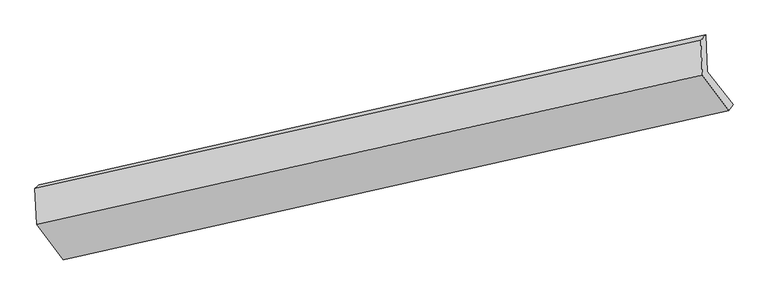
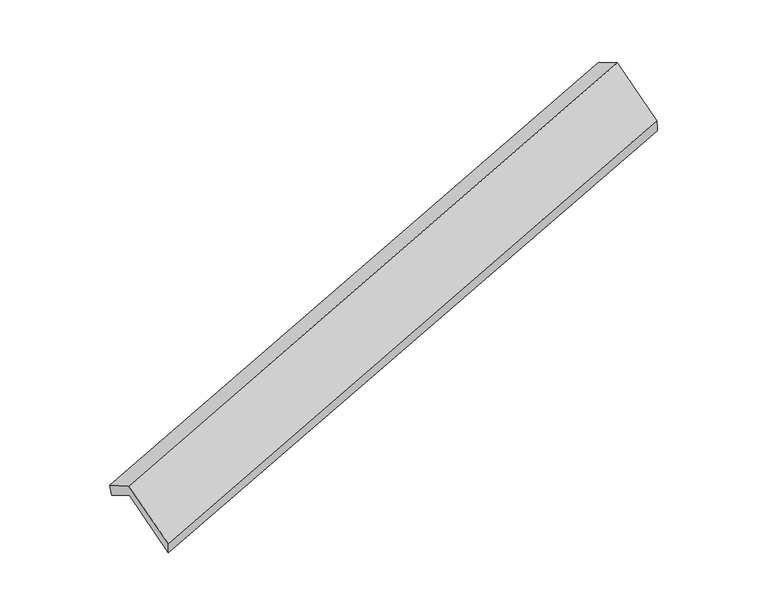
"""IFC4 building model written with IfcOpenShell, lengths in millimetres: proxy geometry."""

from ifc_helpers import new_model, si_unit, frame, origin, place, context, project, spatial, source, transform, mapped, element, save
from ifc_brep_helpers import plane_surface, spline_surface, advanced_brep


def generic_models_57afcbef(model_context):
    return source(origin(), model_context, "Body", "AdvancedBrep", [
        advanced_brep(
        [(-5729.6089475, -2478.9061597, 599.9887344), (-5970.6764835, -2172.4605878, 1156.0402576), (137.9026946, -811.4598454, 3034.5398745), (375.4205714, -1113.3930828, 2486.6760712), (-5984.9833501, -1851.3610124, 972.87654), (122.8223668, -473.0009093, 2841.4739171), (-6022.0956894, -1883.873076, 1115.3484914), (79.8165551, -523.5519984, 3015.7591576), (-6007.462414, -2212.2984859, 1302.6910593), (94.0400461, -842.7803132, 3197.8554583), (-5764.4544859, -2537.5379561, 753.8152356), (337.0479742, -1168.0197833, 2648.9796347)],
        [
            (0, 1),
            (1, 2),
            (2, 3),
            (3, 0),
            (1, 4),
            (4, 5),
            (5, 2),
            (4, 6),
            (6, 7),
            (7, 5),
            (6, 8),
            (8, 9),
            (9, 7),
            (8, 10),
            (10, 11),
            (11, 9),
            (10, 0),
            (3, 11),
        ],
        [
            plane_surface(frame((-5850.1427155, -2325.6833738, 878.014496), z_axis=(-0.04081724702752537, 0.8674896062370965, -0.4957779093663828), x_axis=(-0.3549659275505372, 0.45123345289043354, 0.8187719836870114))),
            plane_surface(frame((-5977.8299168, -2011.9108001, 1064.4583988), z_axis=(0.3526567953104248, -0.4517445777316617, -0.8194876577541751), x_axis=(-0.0386730590380448, 0.8679680329943169, -0.49511199561777575))),
            spline_surface(1, 1, [[(-5984.9833501, -1851.3610124, 972.87654), (122.8223668, -473.0009093, 2841.4739171)], [(-6022.0956894, -1883.873076, 1115.3484914), (79.8165551, -523.5519984, 3015.7591576)]], [2, 2], [2, 2], [0.0, 1.0], [0.0, 1.0]),
            plane_surface(frame((-6014.7790517, -2048.085781, 1209.0197753), z_axis=(-0.35551687075795724, 0.4511110236920126, 0.8186003902454572), x_axis=(0.03867305903809194, -0.8679680329943414, 0.4951119956177291))),
            plane_surface(frame((-5885.9584499, -2374.918221, 1028.2531475), z_axis=(0.030332625874271407, -0.8539624973944818, 0.5194496942451226), x_axis=(0.35594402985718465, -0.4763920609005716, -0.8039617229196511))),
            spline_surface(1, 1, [[(-5764.4544859, -2537.5379561, 753.8152356), (337.0479742, -1168.0197833, 2648.9796347)], [(-5729.6089475, -2478.9061597, 599.9887344), (375.4205714, -1113.3930828, 2486.6760712)]], [2, 2], [2, 2], [0.0, 1.0], [0.0, 1.0]),
            plane_surface(frame((191.1750347, -822.0343221, 2870.8806856), z_axis=(0.934079003501762, 0.20741230602965835, 0.29064849995245945), x_axis=(0.35594402985718465, -0.4763920609005716, -0.8039617229196511))),
            plane_surface(frame((-5913.2135617, -2189.406213, 983.4600531), z_axis=(-0.9340790035017528, -0.2074123060296769, -0.29064849995247577), x_axis=(-0.20708221176588928, -0.3484406510605753, 0.91416960694317))),
        ],
        [
            (0, [[1, 2, 3, 4]]),
            (1, [[5, 6, 7, -2]]),
            (2, [[8, 9, 10, -6]]),
            (3, [[11, 12, 13, -9]]),
            (4, [[14, 15, 16, -12]]),
            (5, [[17, -4, 18, -15]]),
            (6, [[-16, -18, -3, -7, -10, -13]]),
            (7, [[-17, -14, -11, -8, -5, -1]]),
        ],
    ),
    ])


if __name__ == "__main__":
    model = new_model("IFC4")
    model_context = context("Model", 3, world=origin())
    ifc_project = project(units=[si_unit("LENGTHUNIT", "METRE", prefix="MILLI")], contexts=[model_context])
    site = spatial("IfcSite", under=ifc_project)
    building = spatial("IfcBuilding", under=site)
    placement = place(None, origin())
    generic_models_shape = generic_models_57afcbef(model_context)
    element("IfcBuildingElementProxy", 1, Name="Generic Models", at=placement, inside=building, context=model_context, shape_type="MappedRepresentation", body=[
        mapped(generic_models_shape, transform((0.0, 0.0, 0.0), x_axis=(1.0, 0.0, 0.0), y_axis=(0.0, 1.0, 0.0), z_axis=(0.0, 0.0, 1.0))),
    ])
    save(model, "model.ifc")
